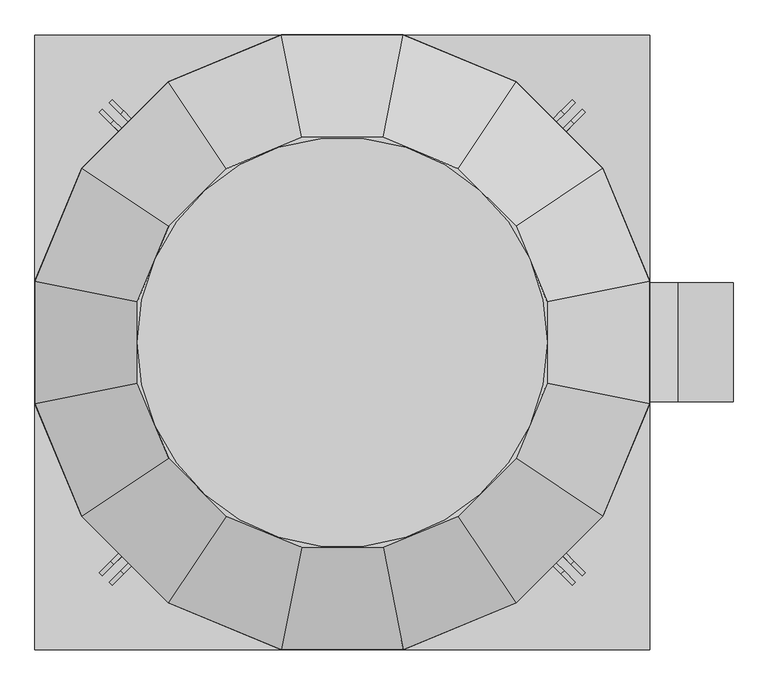
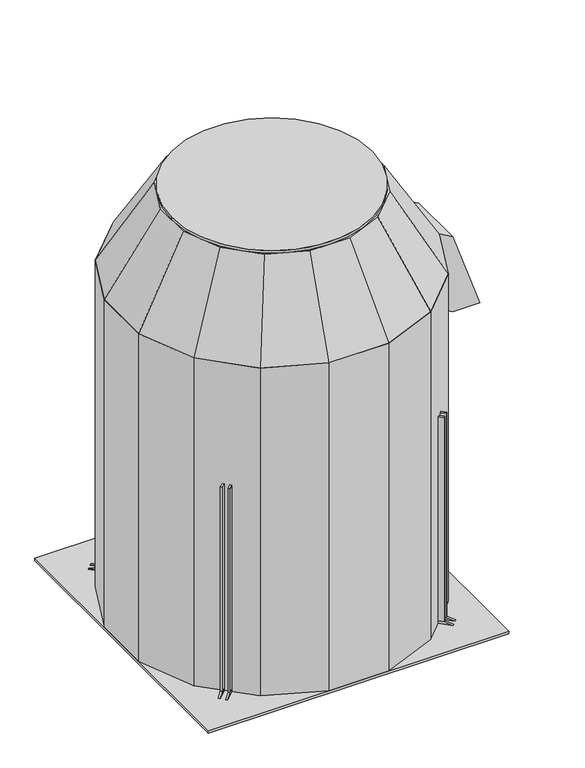
"""IFC4 building model written with IfcOpenShell, lengths in millimetres: proxy geometry."""

from ifc_helpers import new_model, si_unit, point, frame, origin, origin_with_axes, origin_2d, place, context, project, spatial, polyline, circle_curve, trimmed, segment, composite_curve, outline, extrude, faceted_brep, source, transform, mapped, element, save


def mechanical_equipment_d1b960a3(model_context):
    return source(origin(), model_context, "Body", "SolidModel", [
        extrude(outline(polyline([(-25.0, 0.0), (25.0, 0.0), (25.0, -9.032536), (5.0, -9.032536), (-25.0, 0.0)])), frame((-425.5096955, -413.118947, 10.0), z_axis=(-0.7071067811865468, 0.7071067811865482, 0.0), x_axis=(0.7071067811865482, 0.7071067811865468, 0.0)), (0.0, 0.0, 1.0), 8.0),
        extrude(outline(polyline([(-407.8320259, -395.4412775), (-421.9741616, -409.5834131), (-427.6310158, -403.9265589), (-413.4888802, -389.7844232), (-407.8320259, -395.4412775)])), frame((0.0, 0.0, 10.0), z_axis=(0.0, 0.0, 1.0), x_axis=(1.0, 0.0, 0.0)), (0.0, 0.0, 1.0), 825.0),
        extrude(outline(polyline([(-25.0, 0.0), (25.0, 0.0), (25.0, -9.032536), (5.0, -9.032536), (-25.0, 0.0)])), frame((-407.4620928, -431.1665497, 10.0), z_axis=(-0.7071067811865377, 0.7071067811865573, 0.0), x_axis=(0.7071067811865573, 0.7071067811865377, 0.0)), (0.0, 0.0, 1.0), 8.0),
        extrude(outline(polyline([(-395.4412775, -407.8320259), (-389.7844232, -413.4888802), (-403.9265589, -427.6310158), (-409.5834131, -421.9741616), (-395.4412775, -407.8320259)])), frame((0.0, 0.0, 10.0), z_axis=(0.0, 0.0, 1.0), x_axis=(1.0, 0.0, 0.0)), (0.0, 0.0, 1.0), 825.0),
        extrude(outline(polyline([(-25.0, 0.0), (-25.0, 9.032536), (-5.0, 9.032536), (25.0, 0.0), (-25.0, 0.0)])), frame((-431.1665497, 407.4620928, 10.0), z_axis=(0.7071067811865468, 0.7071067811865482, 0.0), x_axis=(-0.7071067811865482, 0.7071067811865468, 0.0)), (0.0, 0.0, 1.0), 8.0),
        extrude(outline(polyline([(-407.8320259, 395.4412775), (-413.4888802, 389.7844232), (-427.6310158, 403.9265589), (-421.9741616, 409.5834131), (-407.8320259, 395.4412775)])), frame((0.0, 0.0, 10.0), z_axis=(0.0, 0.0, 1.0), x_axis=(1.0, 0.0, 0.0)), (0.0, 0.0, 1.0), 825.0),
        extrude(outline(polyline([(-25.0, 0.0), (-25.0, 9.032536), (-5.0, 9.032536), (25.0, 0.0), (-25.0, 0.0)])), frame((-413.118947, 425.5096955, 10.0), z_axis=(0.7071067811865377, 0.7071067811865573, 0.0), x_axis=(-0.7071067811865573, 0.7071067811865377, 0.0)), (0.0, 0.0, 1.0), 8.0),
        extrude(outline(polyline([(-395.4412775, 407.8320259), (-409.5834131, 421.9741616), (-403.9265589, 427.6310158), (-389.7844232, 413.4888802), (-395.4412775, 407.8320259)])), frame((0.0, 0.0, 10.0), z_axis=(0.0, 0.0, 1.0), x_axis=(1.0, 0.0, 0.0)), (0.0, 0.0, 1.0), 825.0),
        extrude(outline(polyline([(-25.0, 0.0), (5.0, 9.032536), (25.0, 9.032536), (25.0, 0.0), (-25.0, 0.0)])), frame((425.5096955, -413.118947, 10.0), z_axis=(0.7071067811865468, 0.7071067811865482, 0.0), x_axis=(-0.7071067811865482, 0.7071067811865468, 0.0)), (0.0, 0.0, 1.0), 8.0),
        extrude(outline(polyline([(407.8320259, -395.4412775), (413.4888802, -389.7844232), (427.6310158, -403.9265589), (421.9741616, -409.5834131), (407.8320259, -395.4412775)])), frame((0.0, 0.0, 10.0), z_axis=(0.0, 0.0, 1.0), x_axis=(1.0, 0.0, 0.0)), (0.0, 0.0, 1.0), 825.0),
        extrude(outline(polyline([(-25.0, 0.0), (5.0, 9.032536), (25.0, 9.032536), (25.0, 0.0), (-25.0, 0.0)])), frame((407.4620928, -431.1665497, 10.0), z_axis=(0.7071067811865377, 0.7071067811865573, 0.0), x_axis=(-0.7071067811865573, 0.7071067811865377, 0.0)), (0.0, 0.0, 1.0), 8.0),
        extrude(outline(polyline([(395.4412775, -407.8320259), (409.5834131, -421.9741616), (403.9265589, -427.6310158), (389.7844232, -413.4888802), (395.4412775, -407.8320259)])), frame((0.0, 0.0, 10.0), z_axis=(0.0, 0.0, 1.0), x_axis=(1.0, 0.0, 0.0)), (0.0, 0.0, 1.0), 825.0),
        extrude(outline(polyline([(-25.0, 0.0), (25.0, 0.0), (-5.0, -9.032536), (-25.0, -9.032536), (-25.0, 0.0)])), frame((431.1665497, 407.4620928, 10.0), z_axis=(-0.7071067811865468, 0.7071067811865482, 0.0), x_axis=(0.7071067811865482, 0.7071067811865468, 0.0)), (0.0, 0.0, 1.0), 8.0),
        extrude(outline(polyline([(407.8320259, 395.4412775), (421.9741616, 409.5834131), (427.6310158, 403.9265589), (413.4888802, 389.7844232), (407.8320259, 395.4412775)])), frame((0.0, 0.0, 10.0), z_axis=(0.0, 0.0, 1.0), x_axis=(1.0, 0.0, 0.0)), (0.0, 0.0, 1.0), 825.0),
        extrude(outline(polyline([(-25.0, 0.0), (25.0, 0.0), (-5.0, -9.032536), (-25.0, -9.032536), (-25.0, 0.0)])), frame((413.118947, 425.5096955, 10.0), z_axis=(-0.7071067811865377, 0.7071067811865573, 0.0), x_axis=(0.7071067811865573, 0.7071067811865377, 0.0)), (0.0, 0.0, 1.0), 8.0),
        extrude(outline(polyline([(395.4412775, 407.8320259), (389.7844232, 413.4888802), (403.9265589, 427.6310158), (409.5834131, 421.9741616), (395.4412775, 407.8320259)])), frame((0.0, 0.0, 10.0), z_axis=(0.0, 0.0, 1.0), x_axis=(1.0, 0.0, 0.0)), (0.0, 0.0, 1.0), 825.0),
        extrude(outline(polyline([(112.9822247, -568.0), (-112.9822247, -568.0), (-321.7461545, -481.5271489), (-481.5271489, -321.7461545), (-568.0, -112.9822247), (-568.0, 112.9822247), (-481.5271489, 321.7461545), (-321.7461545, 481.5271489), (-112.9822247, 568.0), (112.9822247, 568.0), (321.7461545, 481.5271489), (481.5271489, 321.7461545), (568.0, 112.9822247), (568.0, -112.9822247), (481.5271489, -321.7461545), (321.7461545, -481.5271489), (112.9822247, -568.0)])), frame((0.0, 0.0, 10.0), z_axis=(0.0, 0.0, 1.0), x_axis=(1.0, 0.0, 0.0)), (0.0, 0.0, 1.0), 1310.0),
        extrude(outline(polyline([(1020.0, 568.0), (990.0, 619.3333333), (990.0, 722.0), (1290.0, 619.3333333), (1320.0, 568.0), (1020.0, 568.0)])), frame((0.0, -110.0, 0.0), z_axis=(0.0, 1.0, 0.0), x_axis=(0.0, 0.0, 1.0)), (0.0, 0.0, 1.0), 220.0),
        extrude(outline(polyline([(568.0, 568.0), (568.0, -568.0), (-568.0, -568.0), (-568.0, 568.0), (568.0, 568.0)])), origin_with_axes(), (0.0, 0.0, 1.0), 10.0),
        extrude(outline(composite_curve([segment(trimmed(circle_curve(origin_2d(), 378.6666667), [point((-378.6666667, 0.0))], [point((378.6666667, 0.0))], False, "CARTESIAN"), True, "CONTINUOUS"), segment(trimmed(circle_curve(origin_2d(), 378.6666667), [point((378.6666667, 0.0))], [point((-378.6666667, 0.0))], False, "CARTESIAN"), True, "CONTINUOUS")], self_intersect=False)), frame((0.0, 0.0, 1640.0), z_axis=(0.0, 0.0, 1.0), x_axis=(1.0, 0.0, 0.0)), (0.0, 0.0, 1.0), 10.0),
        faceted_brep([(214.4974363, -321.0180993, 1640.0), (321.0180993, -214.4974363, 1640.0), (378.6666667, -75.3214831, 1640.0), (378.6666667, 75.3214831, 1640.0), (321.0180993, 214.4974363, 1640.0), (214.4974363, 321.0180993, 1640.0), (75.3214831, 378.6666667, 1640.0), (-75.3214831, 378.6666667, 1640.0), (-214.4974363, 321.0180993, 1640.0), (-321.0180993, 214.4974363, 1640.0), (-378.6666667, 75.3214831, 1640.0), (-378.6666667, -75.3214831, 1640.0), (-321.0180993, -214.4974363, 1640.0), (-214.4974363, -321.0180993, 1640.0), (-75.3214831, -378.6666667, 1640.0), (75.3214831, -378.6666667, 1640.0), (321.7461545, -481.5271489, 1320.0), (112.9822247, -568.0, 1320.0), (-112.9822247, -568.0, 1320.0), (-321.7461545, -481.5271489, 1320.0), (-481.5271489, -321.7461545, 1320.0), (-568.0, -112.9822247, 1320.0), (-568.0, 112.9822247, 1320.0), (-481.5271489, 321.7461545, 1320.0), (-321.7461545, 481.5271489, 1320.0), (-112.9822247, 568.0, 1320.0), (112.9822247, 568.0, 1320.0), (321.7461545, 481.5271489, 1320.0), (481.5271489, 321.7461545, 1320.0), (568.0, 112.9822247, 1320.0), (568.0, -112.9822247, 1320.0), (481.5271489, -321.7461545, 1320.0)], [[[0, 1, 2, 3, 4, 5, 6, 7, 8, 9, 10, 11, 12, 13, 14, 15]], [[16, 17, 18, 19, 20, 21, 22, 23, 24, 25, 26, 27, 28, 29, 30, 31]], [[16, 31, 1, 0]], [[31, 30, 2, 1]], [[30, 29, 3, 2]], [[29, 28, 4, 3]], [[28, 27, 5, 4]], [[27, 26, 6, 5]], [[26, 25, 7, 6]], [[25, 24, 8, 7]], [[24, 23, 9, 8]], [[23, 22, 10, 9]], [[22, 21, 11, 10]], [[21, 20, 12, 11]], [[20, 19, 13, 12]], [[19, 18, 14, 13]], [[18, 17, 15, 14]], [[17, 16, 0, 15]]]),
    ])


if __name__ == "__main__":
    model = new_model("IFC4")
    model_context = context("Model", 3, world=origin())
    ifc_project = project(units=[si_unit("LENGTHUNIT", "METRE", prefix="MILLI")], contexts=[model_context])
    site = spatial("IfcSite", under=ifc_project)
    building = spatial("IfcBuilding", under=site)
    placement = place(None, origin())
    mechanical_equipment_shape = mechanical_equipment_d1b960a3(model_context)
    element("IfcBuildingElementProxy", 1, Name="Mechanical Equipment", at=placement, inside=building, context=model_context, shape_type="MappedRepresentation", body=[
        mapped(mechanical_equipment_shape, transform((0.0, 0.0, 0.0), x_axis=(1.0, 0.0, 0.0), y_axis=(0.0, 1.0, 0.0), z_axis=(0.0, 0.0, 1.0))),
    ])
    save(model, "model.ifc")
